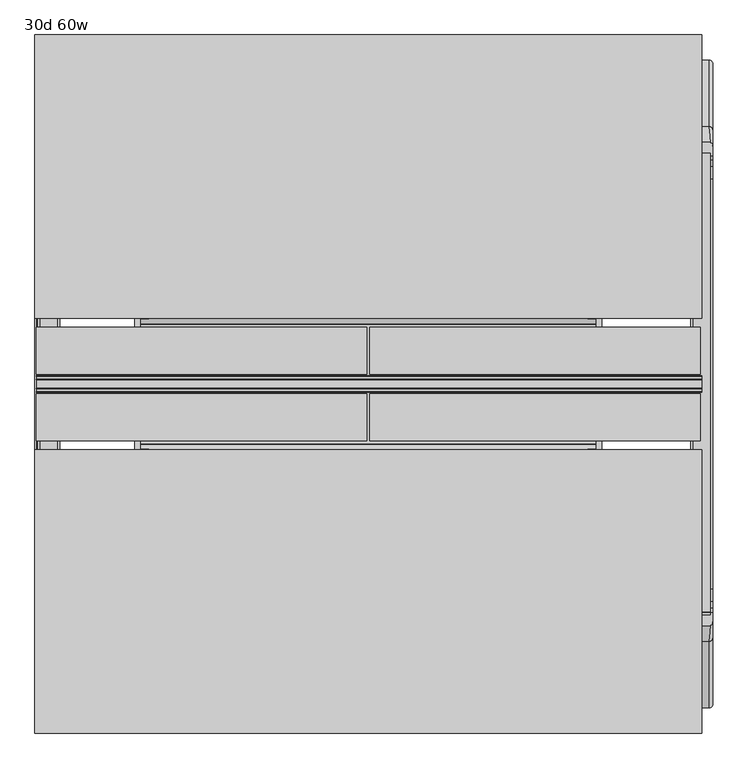
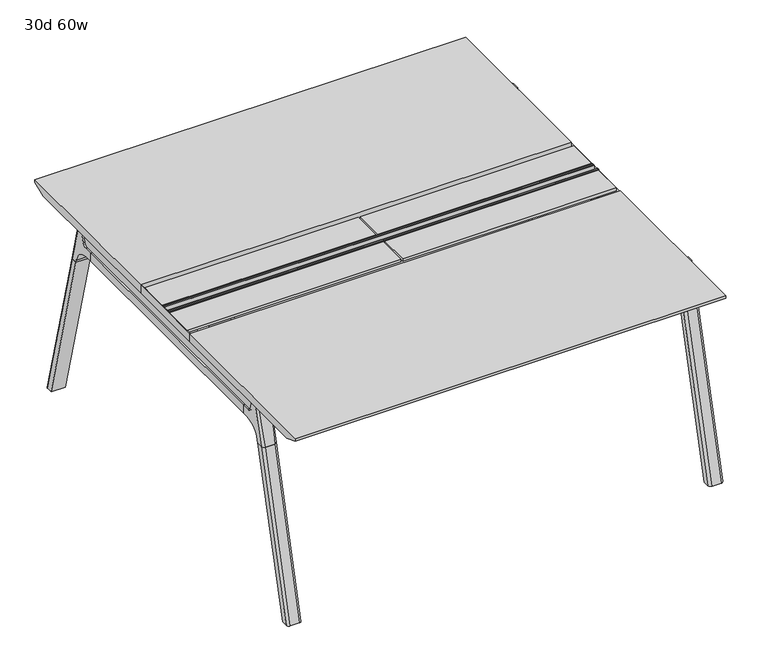
"""IFC4 building model written with IfcOpenShell, lengths in millimetres: furniture geometry, 30d 60w."""

from ifc_helpers import new_model, si_unit, point, frame, frame_2d, origin, place, context, project, spatial, polyline, circle_curve, ellipse_curve, trimmed, segment, composite_curve, outline, extrude, source, transform, mapped, element, save
from ifc_brep_helpers import plane_surface, cylinder_surface, revolved_surface, advanced_brep


def furniture_30d_60w_8fa54825(model_context):
    return source(origin(), model_context, "Body", "SolidModel", [
        extrude(outline(polyline([(-348.9784469, 559.4636683), (-364.040663, 627.7843353), (-35.4662901, 627.7843353), (-50.5285062, 559.4636683), (-46.7502281, 557.2647146), (-46.7502281, 549.3667827), (-62.6252238, 521.8704736), (-336.8817293, 521.8704736), (-352.756725, 549.3667827), (-352.756725, 557.2647146), (-348.9784469, 559.4636683)])), frame((736.6, 0.0, 0.0), z_axis=(1.0, 0.0, 0.0), x_axis=(0.0, 1.0, 0.0)), (0.0, 0.0, 1.0), 12.7),
        extrude(outline(polyline([(-348.9784469, 559.4636683), (-364.040663, 627.7843353), (-35.4662901, 627.7843353), (-50.5285062, 559.4636683), (-46.7502281, 557.2647146), (-46.7502281, 549.3667827), (-62.6252238, 521.8704736), (-336.8817293, 521.8704736), (-352.756725, 549.3667827), (-352.756725, 557.2647146), (-348.9784469, 559.4636683)])), frame((-317.5, 0.0, 0.0), z_axis=(1.0, 0.0, 0.0), x_axis=(0.0, 1.0, 0.0)), (0.0, 0.0, 1.0), 12.7),
        extrude(outline(polyline([(-18.0090763, 698.5), (3.7767266, 698.5), (3.7767266, 697.2935087), (-17.4495292, 697.2935087), (-19.0070753, 695.7359626), (-49.1186716, 559.1528512), (-50.5285062, 559.4636683), (-20.404074, 696.1050023), (-18.0090763, 698.5)])), frame((-317.5, 0.0, 0.0), z_axis=(1.0, 0.0, 0.0), x_axis=(0.0, 1.0, 0.0)), (0.0, 0.0, 1.0), 31.8008024),
        extrude(outline(polyline([(-381.4978768, 698.5), (-379.1028791, 696.1050023), (-348.9784469, 559.4636683), (-350.3882815, 559.1528512), (-380.4998778, 695.7359626), (-382.0574239, 697.2935087), (-403.2836797, 697.2935087), (-403.2836797, 698.5), (-381.4978768, 698.5)])), frame((-317.5, 0.0, 0.0), z_axis=(1.0, 0.0, 0.0), x_axis=(0.0, 1.0, 0.0)), (0.0, 0.0, 1.0), 31.8008024),
        extrude(outline(polyline([(-18.0090763, 698.5), (3.7767266, 698.5), (3.7767266, 697.2935087), (-17.4495292, 697.2935087), (-19.0070753, 695.7359626), (-49.1186716, 559.1528512), (-50.5285062, 559.4636683), (-20.404074, 696.1050023), (-18.0090763, 698.5)])), frame((717.4991976, 0.0, 0.0), z_axis=(1.0, 0.0, 0.0), x_axis=(0.0, 1.0, 0.0)), (0.0, 0.0, 1.0), 31.8008024),
        extrude(outline(polyline([(-381.4978768, 698.5), (-379.1028791, 696.1050023), (-348.9784469, 559.4636683), (-350.3882815, 559.1528512), (-380.4998778, 695.7359626), (-382.0574239, 697.2935087), (-403.2836797, 697.2935087), (-403.2836797, 698.5), (-381.4978768, 698.5)])), frame((717.4991976, 0.0, 0.0), z_axis=(1.0, 0.0, 0.0), x_axis=(0.0, 1.0, 0.0)), (0.0, 0.0, 1.0), 31.8008024),
        extrude(outline(polyline([(-353.550475, 557.5934966), (-351.518477, 559.6254947), (-350.957211, 559.0642287), (-352.756725, 557.2647146), (-352.756725, 549.3667827), (-352.5317745, 548.5272622), (-337.4390802, 522.3859395), (-336.0037101, 521.5572272), (-63.503243, 521.5572272), (-62.0678729, 522.3859395), (-46.9751786, 548.5272622), (-46.7502281, 549.3667827), (-46.7502281, 557.2647146), (-48.5497421, 559.0642287), (-47.9884761, 559.6254947), (-45.9564781, 557.5934966), (-45.9564781, 549.2622828), (-46.2355217, 548.2208856), (-61.4868074, 521.8048744), (-63.2905581, 520.7634772), (-336.216395, 520.7634772), (-338.0201457, 521.8048744), (-353.2714314, 548.2208856), (-353.550475, 549.2622828), (-353.550475, 557.5934966)])), frame((-317.4492037, 0.0, 0.0), z_axis=(1.0, 0.0, 0.0), x_axis=(0.0, 1.0, 0.0)), (0.0, 0.0, 1.0), 1066.7492037),
        extrude(outline(polyline([(-218.8034766, 715.9625), (-218.8034766, 741.3625), (-217.2159766, 741.3625), (-217.2159766, 720.725), (-210.8659766, 720.725), (-210.8659766, 741.3625), (-209.2784766, 741.3625), (-209.2784766, 717.55), (-190.2284766, 717.55), (-190.2284766, 741.3625), (-188.6409766, 741.3625), (-188.6409766, 720.725), (-182.2909766, 720.725), (-182.2909766, 741.3625), (-180.7034766, 741.3625), (-180.7034766, 715.9625), (-218.8034766, 715.9625)])), frame((-542.925, 0.0, 0.0), z_axis=(1.0, 0.0, 0.0), x_axis=(0.0, 1.0, 0.0)), (0.0, 0.0, 1.0), 1520.825),
        extrude(outline(composite_curve([segment(polyline([(328.0902734, 711.2), (319.0321726, 677.3947076)]), True, "CONTINUOUS"), segment(trimmed(circle_curve(frame_2d((303.6981001, 681.5034599)), 15.875), [point((319.0321726, 677.3947076))], [point((303.6981001, 665.6284599))], False, "CARTESIAN"), True, "CONTINUOUS"), segment(polyline([(303.6981001, 665.6284599), (-703.2050533, 665.6284599)]), True, "CONTINUOUS"), segment(trimmed(circle_curve(frame_2d((-703.2050533, 681.5034599)), 15.875), [point((-703.2050533, 665.6284599))], [point((-718.5391258, 677.3947076))], False, "CARTESIAN"), True, "CONTINUOUS"), segment(polyline([(-718.5391258, 677.3947076), (-727.5972266, 711.2), (328.0902734, 711.2)]), True, "CONTINUOUS")], self_intersect=False)), frame((958.85, 0.0, 0.0), z_axis=(1.0, 0.0, 0.0), x_axis=(0.0, 1.0, 0.0)), (0.0, 0.0, 1.0), 38.1),
        extrude(outline(polyline([(1003.3, 267.7652734), (1003.3, -667.2722266), (952.5, -667.2722266), (952.5, 267.7652734), (1003.3, 267.7652734)])), frame((0.0, 0.0, 635.6476591), z_axis=(0.0, 0.0, 1.0), x_axis=(1.0, 0.0, 0.0)), (0.0, 0.0, 1.0), 29.9808008),
        extrude(outline(composite_curve([segment(polyline([(328.0902734, 711.2), (319.0321726, 677.3947076)]), True, "CONTINUOUS"), segment(trimmed(circle_curve(frame_2d((303.6981001, 681.5034599)), 15.875), [point((319.0321726, 677.3947076))], [point((303.6981001, 665.6284599))], False, "CARTESIAN"), True, "CONTINUOUS"), segment(polyline([(303.6981001, 665.6284599), (-703.2050533, 665.6284599)]), True, "CONTINUOUS"), segment(trimmed(circle_curve(frame_2d((-703.2050533, 681.5034599)), 15.875), [point((-703.2050533, 665.6284599))], [point((-718.5391258, 677.3947076))], False, "CARTESIAN"), True, "CONTINUOUS"), segment(polyline([(-718.5391258, 677.3947076), (-727.5972266, 711.2), (328.0902734, 711.2)]), True, "CONTINUOUS")], self_intersect=False)), frame((-533.4, 0.0, 0.0), z_axis=(1.0, 0.0, 0.0), x_axis=(0.0, 1.0, 0.0)), (0.0, 0.0, 1.0), 38.1),
        extrude(outline(polyline([(-488.95, 267.7652734), (-488.95, -667.2722266), (-539.75, -667.2722266), (-539.75, 267.7652734), (-488.95, 267.7652734)])), frame((0.0, 0.0, 635.6476591), z_axis=(0.0, 0.0, 1.0), x_axis=(1.0, 0.0, 0.0)), (0.0, 0.0, 1.0), 29.9808008),
        advanced_brep(
        [(952.5, -721.2935553, 711.2), (952.5, -712.2354545, 677.3947076), (952.5, -696.901382, 665.6284599), (952.5, -667.2722266, 665.6284599), (952.5, -667.2722266, 635.6476591), (952.5, -690.1434588, 635.6476591), (952.5, -754.5465633, 586.2294189), (952.5, -757.1047754, 576.6820411), (952.5, -778.2087453, 576.6820411), (952.5, -742.7601017, 711.2), (1003.3, -757.1047754, 576.6820411), (1003.3, -754.5465633, 586.2294189), (1003.3, -690.1434588, 635.6476591), (1003.3, -667.2722266, 635.6476591), (1003.3, -667.2722266, 665.6284599), (1003.3, -696.901382, 665.6284599), (1003.3, -712.2354545, 677.3947076), (1003.3, -721.2935553, 711.2), (1003.3, -742.7601017, 711.2), (1003.3, -778.2087453, 576.6820411), (958.7638162, -752.0149462, 711.2), (997.0361838, -752.0149462, 711.2), (993.775, -788.0589247, 576.6820411), (962.025, -788.0589247, 576.6820411)],
        [
            (0, 1),
            (1, 2, circle_curve(frame((952.5, -696.901382, 681.5034599), z_axis=(1.0, 0.0, 0.0), x_axis=(0.0, -1.0, 0.0)), 15.875)),
            (2, 3),
            (3, 4),
            (4, 5),
            (5, 6, circle_curve(frame((952.5, -690.1434588, 568.9726591), z_axis=(1.0, 0.0, 0.0), x_axis=(0.0, -1.0, 0.0)), 66.675)),
            (6, 7),
            (7, 8),
            (8, 9),
            (9, 0),
            (10, 11),
            (11, 12, circle_curve(frame((1003.3, -690.1434588, 568.9726591), z_axis=(-1.0, 0.0, 0.0), x_axis=(0.0, -1.0, 0.0)), 66.675)),
            (12, 13),
            (13, 14),
            (14, 15),
            (15, 16, circle_curve(frame((1003.3, -696.901382, 681.5034599), z_axis=(-1.0, 0.0, 0.0), x_axis=(0.0, -1.0, 0.0)), 15.875)),
            (16, 17),
            (17, 18),
            (18, 19),
            (19, 10),
            (17, 0),
            (9, 20, ellipse_curve(frame((962.025, -742.7601017, 711.2), z_axis=(0.0, 0.0, 1.0), x_axis=(0.0, -1.0, 0.0)), 9.8501793, 9.525)),
            (20, 21),
            (21, 18, ellipse_curve(frame((993.775, -742.7601017, 711.2), z_axis=(0.0, 0.0, 1.0), x_axis=(0.0, -1.0, 0.0)), 9.8501793, 9.525)),
            (16, 1),
            (15, 2),
            (14, 3),
            (13, 4),
            (12, 5),
            (11, 6),
            (10, 7),
            (19, 22, ellipse_curve(frame((993.775, -778.2087453, 576.6820411), z_axis=(0.0, 0.0, -1.0), x_axis=(0.0, -1.0, 0.0)), 9.8501793, 9.525)),
            (22, 23),
            (23, 8, ellipse_curve(frame((962.025, -778.2087453, 576.6820411), z_axis=(0.0, 0.0, -1.0), x_axis=(0.0, -1.0, 0.0)), 9.8501793, 9.525)),
            (20, 23, ellipse_curve(frame((962.025, -191.6892106, 2802.3641142), z_axis=(0.0, -0.9659258262890684, 0.2588190451025206), x_axis=(0.0, -0.2588190451025206, -0.9659258262890684)), 2304.1956354, 9.525)),
            (22, 21, ellipse_curve(frame((993.775, -191.6892106, 2802.3641142), z_axis=(0.0, -0.9659258262890684, 0.2588190451025206), x_axis=(0.0, -0.2588190451025206, -0.9659258262890684)), 2304.1956354, 9.525)),
        ],
        [
            plane_surface(frame((952.5, -752.0149462, 711.2), z_axis=(-1.0, 0.0, 0.0), x_axis=(0.0, 1.0, 0.0))),
            plane_surface(frame((1003.3, -752.0149462, 711.2), z_axis=(1.0, 0.0, 0.0), x_axis=(0.0, -1.0, 0.0))),
            plane_surface(frame((952.5, -752.0149462, 711.2), z_axis=(0.0, 0.0, 1.0), x_axis=(1.0, 0.0, 0.0))),
            plane_surface(frame((952.5, -721.2935553, 711.2), z_axis=(0.0, 0.9659258262890683, 0.2588190451025207), x_axis=(1.0, 0.0, 0.0))),
            revolved_surface(polyline([(1003.3, -712.776382, 681.5034599), (952.5, -712.776382, 681.5034599)]), (1003.3, -696.901382, 681.5034599), (1.0, 0.0, 0.0)),
            plane_surface(frame((952.5, -696.901382, 665.6284599), z_axis=(0.0, 0.0, 1.0), x_axis=(1.0, 0.0, 0.0))),
            plane_surface(frame((952.5, -667.2722266, 665.6284599), z_axis=(0.0, 1.0, 0.0), x_axis=(1.0, 0.0, 0.0))),
            plane_surface(frame((952.5, -667.2722266, 635.6476591), z_axis=(0.0, 0.0, -1.0), x_axis=(1.0, 0.0, 0.0))),
            revolved_surface(polyline([(1003.3, -756.8184587999999, 568.9726591), (952.5, -756.8184587999999, 568.9726591)]), (1003.3, -690.1434588, 568.9726591), (1.0, 0.0, 0.0)),
            plane_surface(frame((952.5, -754.5465633, 586.2294189), z_axis=(0.0, 0.9659258262890693, -0.25881904510251696), x_axis=(1.0, 0.0, 0.0))),
            plane_surface(frame((952.5, -757.1047754, 576.6820411), z_axis=(0.0, 0.0, -1.0), x_axis=(1.0, 0.0, 0.0))),
            plane_surface(frame((952.5, -788.0589247, 576.6820411), z_axis=(0.0, -0.9659258262890684, 0.2588190451025206), x_axis=(1.0, 0.0, 0.0))),
            cylinder_surface(frame((962.025, -930.8176402, -2.4271979), z_axis=(0.0, -0.25482392474081483, -0.966987470125486), x_axis=(1.0, 0.0, 0.0)), 9.525),
            cylinder_surface(frame((993.775, -930.8176402, -2.4271979), z_axis=(0.0, -0.25482392474081483, -0.966987470125486), x_axis=(1.0, 0.0, 0.0)), 9.525),
        ],
        [
            (0, [[1, 2, 3, 4, 5, 6, 7, 8, 9, 10]]),
            (1, [[11, 12, 13, 14, 15, 16, 17, 18, 19, 20]]),
            (2, [[21, -10, 22, 23, 24, -18]]),
            (3, [[-1, -21, -17, 25]]),
            (4, [[-2, -25, -16, 26]]),
            (5, [[-3, -26, -15, 27]]),
            (6, [[-4, -27, -14, 28]]),
            (7, [[-5, -28, -13, 29]]),
            (8, [[-6, -29, -12, 30]]),
            (9, [[-7, -30, -11, 31]]),
            (10, [[-31, -20, 32, 33, 34, -8]]),
            (11, [[-23, 35, -33, 36]]),
            (12, [[-9, -34, -35, -22]]),
            (13, [[-19, -24, -36, -32]]),
        ],
    ),
        advanced_brep(
        [(952.5, -757.1047754, 576.6820411), (952.5, -909.0740466, 0.0), (952.5, -930.1780165, 0.0), (952.5, -778.2087453, 576.6820411), (1003.3, -909.0740466, 0.0), (1003.3, -757.1047754, 576.6820411), (1003.3, -778.2087453, 576.6820411), (1003.3, -930.1780165, 0.0), (962.025, -788.0589247, 576.6820411), (993.775, -788.0589247, 576.6820411), (993.775, -940.0281958, 0.0), (962.025, -940.0281958, 0.0)],
        [
            (0, 1),
            (1, 2),
            (2, 3),
            (3, 0),
            (4, 5),
            (5, 6),
            (6, 7),
            (7, 4),
            (5, 0),
            (3, 8, ellipse_curve(frame((962.025, -778.2087453, 576.6820411), z_axis=(0.0, 0.0, 1.0), x_axis=(0.0, -1.0, 0.0)), 9.8501793, 9.525)),
            (8, 9),
            (9, 6, ellipse_curve(frame((993.775, -778.2087453, 576.6820411), z_axis=(0.0, 0.0, 1.0), x_axis=(0.0, -1.0, 0.0)), 9.8501793, 9.525)),
            (4, 1),
            (7, 10, ellipse_curve(frame((993.775, -930.1780165, 0.0), z_axis=(0.0, 0.0, -1.0), x_axis=(0.0, -1.0, 0.0)), 9.8501793, 9.525)),
            (10, 11),
            (11, 2, ellipse_curve(frame((962.025, -930.1780165, 0.0), z_axis=(0.0, 0.0, -1.0), x_axis=(0.0, -1.0, 0.0)), 9.8501793, 9.525)),
            (8, 11),
            (10, 9),
        ],
        [
            plane_surface(frame((952.5, -788.0589247, 576.6820411), z_axis=(-1.0, 0.0, 0.0), x_axis=(0.0, 1.0, 0.0))),
            plane_surface(frame((1003.3, -788.0589247, 576.6820411), z_axis=(1.0, 0.0, 0.0), x_axis=(0.0, -1.0, 0.0))),
            plane_surface(frame((952.5, -788.0589247, 576.6820411), z_axis=(0.0, 0.0, 1.0), x_axis=(1.0, 0.0, 0.0))),
            plane_surface(frame((952.5, -757.1047754, 576.6820411), z_axis=(0.0, 0.9669874701254844, -0.2548239247408208), x_axis=(1.0, 0.0, 0.0))),
            plane_surface(frame((952.5, -909.0740466, 0.0), z_axis=(0.0, 0.0, -1.0), x_axis=(1.0, 0.0, 0.0))),
            plane_surface(frame((952.5, -940.0281958, 0.0), z_axis=(0.0, -0.9669874701254855, 0.2548239247408166), x_axis=(1.0, 0.0, 0.0))),
            cylinder_surface(frame((962.025, -930.8176402, -2.4271979), z_axis=(0.0, -0.25482392474081483, -0.966987470125486), x_axis=(1.0, 0.0, 0.0)), 9.525),
            cylinder_surface(frame((993.775, -930.8176402, -2.4271979), z_axis=(0.0, -0.25482392474081483, -0.966987470125486), x_axis=(1.0, 0.0, 0.0)), 9.525),
        ],
        [
            (0, [[1, 2, 3, 4]]),
            (1, [[5, 6, 7, 8]]),
            (2, [[9, -4, 10, 11, 12, -6]]),
            (3, [[-1, -9, -5, 13]]),
            (4, [[-13, -8, 14, 15, 16, -2]]),
            (5, [[-11, 17, -15, 18]]),
            (6, [[-3, -16, -17, -10]]),
            (7, [[-7, -12, -18, -14]]),
        ],
    ),
        advanced_brep(
        [(1003.3, 321.7866022, 711.2), (1003.3, 312.7285014, 677.3947076), (1003.3, 297.3944289, 665.6284599), (1003.3, 267.7652734, 665.6284599), (1003.3, 267.7652734, 635.6476591), (1003.3, 290.6365057, 635.6476591), (1003.3, 355.0396101, 586.2294189), (1003.3, 357.5978223, 576.6820411), (1003.3, 378.7017922, 576.6820411), (1003.3, 343.2531486, 711.2), (952.5, 357.5978223, 576.6820411), (952.5, 355.0396101, 586.2294189), (952.5, 290.6365057, 635.6476591), (952.5, 267.7652734, 635.6476591), (952.5, 267.7652734, 665.6284599), (952.5, 297.3944289, 665.6284599), (952.5, 312.7285014, 677.3947076), (952.5, 321.7866022, 711.2), (952.5, 343.2531486, 711.2), (952.5, 378.7017922, 576.6820411), (997.0361838, 352.5079931, 711.2), (958.7638162, 352.5079931, 711.2), (962.025, 388.5519716, 576.6820411), (993.775, 388.5519716, 576.6820411)],
        [
            (0, 1),
            (1, 2, circle_curve(frame((1003.3, 297.3944289, 681.5034599), z_axis=(-1.0, 0.0, 0.0), x_axis=(0.0, 1.0, 0.0)), 15.875)),
            (2, 3),
            (3, 4),
            (4, 5),
            (5, 6, circle_curve(frame((1003.3, 290.6365057, 568.9726591), z_axis=(-1.0, 0.0, 0.0), x_axis=(0.0, 1.0, 0.0)), 66.675)),
            (6, 7),
            (7, 8),
            (8, 9),
            (9, 0),
            (10, 11),
            (11, 12, circle_curve(frame((952.5, 290.6365057, 568.9726591), z_axis=(1.0, 0.0, 0.0), x_axis=(0.0, 1.0, 0.0)), 66.675)),
            (12, 13),
            (13, 14),
            (14, 15),
            (15, 16, circle_curve(frame((952.5, 297.3944289, 681.5034599), z_axis=(1.0, 0.0, 0.0), x_axis=(0.0, 1.0, 0.0)), 15.875)),
            (16, 17),
            (17, 18),
            (18, 19),
            (19, 10),
            (17, 0),
            (9, 20, ellipse_curve(frame((993.775, 343.2531486, 711.2), z_axis=(0.0, 0.0, 1.0), x_axis=(0.0, 1.0, 0.0)), 9.8501793, 9.525)),
            (20, 21),
            (21, 18, ellipse_curve(frame((962.025, 343.2531486, 711.2), z_axis=(0.0, 0.0, 1.0), x_axis=(0.0, 1.0, 0.0)), 9.8501793, 9.525)),
            (16, 1),
            (15, 2),
            (14, 3),
            (13, 4),
            (12, 5),
            (11, 6),
            (10, 7),
            (19, 22, ellipse_curve(frame((962.025, 378.7017922, 576.6820411), z_axis=(0.0, 0.0, -1.0), x_axis=(0.0, 1.0, 0.0)), 9.8501793, 9.525)),
            (22, 23),
            (23, 8, ellipse_curve(frame((993.775, 378.7017922, 576.6820411), z_axis=(0.0, 0.0, -1.0), x_axis=(0.0, 1.0, 0.0)), 9.8501793, 9.525)),
            (20, 23, ellipse_curve(frame((993.775, -207.8177425, 2802.3641142), z_axis=(0.0, 0.9659258262890684, 0.2588190451025206), x_axis=(0.0, 0.2588190451025206, -0.9659258262890684)), 2304.1956354, 9.525)),
            (22, 21, ellipse_curve(frame((962.025, -207.8177425, 2802.3641142), z_axis=(0.0, 0.9659258262890684, 0.2588190451025206), x_axis=(0.0, 0.2588190451025206, -0.9659258262890684)), 2304.1956354, 9.525)),
        ],
        [
            plane_surface(frame((1003.3, 352.5079931, 711.2), z_axis=(1.0, 0.0, 0.0), x_axis=(0.0, -1.0, 0.0))),
            plane_surface(frame((952.5, 352.5079931, 711.2), z_axis=(-1.0, 0.0, 0.0), x_axis=(0.0, 1.0, 0.0))),
            plane_surface(frame((1003.3, 352.5079931, 711.2), z_axis=(0.0, 0.0, 1.0), x_axis=(-1.0, 0.0, 0.0))),
            plane_surface(frame((1003.3, 321.7866022, 711.2), z_axis=(0.0, -0.9659258262890683, 0.2588190451025207), x_axis=(-1.0, 0.0, 0.0))),
            revolved_surface(polyline([(952.5, 313.2694289, 681.5034599), (1003.3, 313.2694289, 681.5034599)]), (952.5, 297.3944289, 681.5034599), (-1.0, 0.0, 0.0)),
            plane_surface(frame((1003.3, 297.3944289, 665.6284599), z_axis=(0.0, 0.0, 1.0), x_axis=(-1.0, 0.0, 0.0))),
            plane_surface(frame((1003.3, 267.7652734, 665.6284599), z_axis=(0.0, -1.0, 0.0), x_axis=(-1.0, 0.0, 0.0))),
            plane_surface(frame((1003.3, 267.7652734, 635.6476591), z_axis=(0.0, 0.0, -1.0), x_axis=(-1.0, 0.0, 0.0))),
            revolved_surface(polyline([(952.5, 357.3115057, 568.9726591), (1003.3, 357.3115057, 568.9726591)]), (952.5, 290.6365057, 568.9726591), (-1.0, 0.0, 0.0)),
            plane_surface(frame((1003.3, 355.0396101, 586.2294189), z_axis=(0.0, -0.9659258262890693, -0.25881904510251696), x_axis=(-1.0, 0.0, 0.0))),
            plane_surface(frame((1003.3, 357.5978223, 576.6820411), z_axis=(0.0, 0.0, -1.0), x_axis=(-1.0, 0.0, 0.0))),
            plane_surface(frame((1003.3, 388.5519716, 576.6820411), z_axis=(0.0, 0.9659258262890684, 0.2588190451025206), x_axis=(-1.0, 0.0, 0.0))),
            cylinder_surface(frame((993.775, 531.3106871, -2.4271979), z_axis=(0.0, 0.25482392474081483, -0.966987470125486), x_axis=(-1.0, 0.0, 0.0)), 9.525),
            cylinder_surface(frame((962.025, 531.3106871, -2.4271979), z_axis=(0.0, 0.25482392474081483, -0.966987470125486), x_axis=(-1.0, 0.0, 0.0)), 9.525),
        ],
        [
            (0, [[1, 2, 3, 4, 5, 6, 7, 8, 9, 10]]),
            (1, [[11, 12, 13, 14, 15, 16, 17, 18, 19, 20]]),
            (2, [[21, -10, 22, 23, 24, -18]]),
            (3, [[-1, -21, -17, 25]]),
            (4, [[-2, -25, -16, 26]]),
            (5, [[-3, -26, -15, 27]]),
            (6, [[-4, -27, -14, 28]]),
            (7, [[-5, -28, -13, 29]]),
            (8, [[-6, -29, -12, 30]]),
            (9, [[-7, -30, -11, 31]]),
            (10, [[-31, -20, 32, 33, 34, -8]]),
            (11, [[-23, 35, -33, 36]]),
            (12, [[-9, -34, -35, -22]]),
            (13, [[-19, -24, -36, -32]]),
        ],
    ),
        advanced_brep(
        [(1003.3, 357.5978223, 576.6820411), (1003.3, 509.5670935, 0.0), (1003.3, 530.6710634, 0.0), (1003.3, 378.7017922, 576.6820411), (952.5, 509.5670935, 0.0), (952.5, 357.5978223, 576.6820411), (952.5, 378.7017922, 576.6820411), (952.5, 530.6710634, 0.0), (993.775, 388.5519716, 576.6820411), (962.025, 388.5519716, 576.6820411), (962.025, 540.5212427, 0.0), (993.775, 540.5212427, 0.0)],
        [
            (0, 1),
            (1, 2),
            (2, 3),
            (3, 0),
            (4, 5),
            (5, 6),
            (6, 7),
            (7, 4),
            (5, 0),
            (3, 8, ellipse_curve(frame((993.775, 378.7017922, 576.6820411), z_axis=(0.0, 0.0, 1.0), x_axis=(0.0, 1.0, 0.0)), 9.8501793, 9.525)),
            (8, 9),
            (9, 6, ellipse_curve(frame((962.025, 378.7017922, 576.6820411), z_axis=(0.0, 0.0, 1.0), x_axis=(0.0, 1.0, 0.0)), 9.8501793, 9.525)),
            (4, 1),
            (7, 10, ellipse_curve(frame((962.025, 530.6710634, 0.0), z_axis=(0.0, 0.0, -1.0), x_axis=(0.0, 1.0, 0.0)), 9.8501793, 9.525)),
            (10, 11),
            (11, 2, ellipse_curve(frame((993.775, 530.6710634, 0.0), z_axis=(0.0, 0.0, -1.0), x_axis=(0.0, 1.0, 0.0)), 9.8501793, 9.525)),
            (8, 11),
            (10, 9),
        ],
        [
            plane_surface(frame((1003.3, 388.5519716, 576.6820411), z_axis=(1.0, 0.0, 0.0), x_axis=(0.0, -1.0, 0.0))),
            plane_surface(frame((952.5, 388.5519716, 576.6820411), z_axis=(-1.0, 0.0, 0.0), x_axis=(0.0, 1.0, 0.0))),
            plane_surface(frame((1003.3, 388.5519716, 576.6820411), z_axis=(0.0, 0.0, 1.0), x_axis=(-1.0, 0.0, 0.0))),
            plane_surface(frame((1003.3, 357.5978223, 576.6820411), z_axis=(0.0, -0.9669874701254844, -0.2548239247408208), x_axis=(-1.0, 0.0, 0.0))),
            plane_surface(frame((1003.3, 509.5670935, 0.0), z_axis=(0.0, 0.0, -1.0), x_axis=(-1.0, 0.0, 0.0))),
            plane_surface(frame((1003.3, 540.5212427, 0.0), z_axis=(0.0, 0.9669874701254855, 0.2548239247408166), x_axis=(-1.0, 0.0, 0.0))),
            cylinder_surface(frame((993.775, 531.3106871, -2.4271979), z_axis=(0.0, 0.25482392474081483, -0.966987470125486), x_axis=(-1.0, 0.0, 0.0)), 9.525),
            cylinder_surface(frame((962.025, 531.3106871, -2.4271979), z_axis=(0.0, 0.25482392474081483, -0.966987470125486), x_axis=(-1.0, 0.0, 0.0)), 9.525),
        ],
        [
            (0, [[1, 2, 3, 4]]),
            (1, [[5, 6, 7, 8]]),
            (2, [[9, -4, 10, 11, 12, -6]]),
            (3, [[-1, -9, -5, 13]]),
            (4, [[-13, -8, 14, 15, 16, -2]]),
            (5, [[-11, 17, -15, 18]]),
            (6, [[-3, -16, -17, -10]]),
            (7, [[-7, -12, -18, -14]]),
        ],
    ),
        advanced_brep(
        [(-488.95, 321.7866022, 711.2), (-488.95, 312.7285014, 677.3947076), (-488.95, 297.3944289, 665.6284599), (-488.95, 267.7652734, 665.6284599), (-488.95, 267.7652734, 635.6476591), (-488.95, 290.6365057, 635.6476591), (-488.95, 355.0396101, 586.2294189), (-488.95, 357.5978223, 576.6820411), (-488.95, 378.7017922, 576.6820411), (-488.95, 343.2531486, 711.2), (-539.75, 357.5978223, 576.6820411), (-539.75, 355.0396101, 586.2294189), (-539.75, 290.6365057, 635.6476591), (-539.75, 267.7652734, 635.6476591), (-539.75, 267.7652734, 665.6284599), (-539.75, 297.3944289, 665.6284599), (-539.75, 312.7285014, 677.3947076), (-539.75, 321.7866022, 711.2), (-539.75, 343.2531486, 711.2), (-539.75, 378.7017922, 576.6820411), (-495.2138162, 352.5079931, 711.2), (-533.4861838, 352.5079931, 711.2), (-530.225, 388.5519716, 576.6820411), (-498.475, 388.5519716, 576.6820411)],
        [
            (0, 1),
            (1, 2, circle_curve(frame((-488.95, 297.3944289, 681.5034599), z_axis=(-1.0, 0.0, 0.0), x_axis=(0.0, 1.0, 0.0)), 15.875)),
            (2, 3),
            (3, 4),
            (4, 5),
            (5, 6, circle_curve(frame((-488.95, 290.6365057, 568.9726591), z_axis=(-1.0, 0.0, 0.0), x_axis=(0.0, 1.0, 0.0)), 66.675)),
            (6, 7),
            (7, 8),
            (8, 9),
            (9, 0),
            (10, 11),
            (11, 12, circle_curve(frame((-539.75, 290.6365057, 568.9726591), z_axis=(1.0, 0.0, 0.0), x_axis=(0.0, 1.0, 0.0)), 66.675)),
            (12, 13),
            (13, 14),
            (14, 15),
            (15, 16, circle_curve(frame((-539.75, 297.3944289, 681.5034599), z_axis=(1.0, 0.0, 0.0), x_axis=(0.0, 1.0, 0.0)), 15.875)),
            (16, 17),
            (17, 18),
            (18, 19),
            (19, 10),
            (17, 0),
            (9, 20, ellipse_curve(frame((-498.475, 343.2531486, 711.2), z_axis=(0.0, 0.0, 1.0), x_axis=(0.0, 1.0, 0.0)), 9.8501793, 9.525)),
            (20, 21),
            (21, 18, ellipse_curve(frame((-530.225, 343.2531486, 711.2), z_axis=(0.0, 0.0, 1.0), x_axis=(0.0, 1.0, 0.0)), 9.8501793, 9.525)),
            (16, 1),
            (15, 2),
            (14, 3),
            (13, 4),
            (12, 5),
            (11, 6),
            (10, 7),
            (19, 22, ellipse_curve(frame((-530.225, 378.7017922, 576.6820411), z_axis=(0.0, 0.0, -1.0), x_axis=(0.0, 1.0, 0.0)), 9.8501793, 9.525)),
            (22, 23),
            (23, 8, ellipse_curve(frame((-498.475, 378.7017922, 576.6820411), z_axis=(0.0, 0.0, -1.0), x_axis=(0.0, 1.0, 0.0)), 9.8501793, 9.525)),
            (20, 23, ellipse_curve(frame((-498.475, -207.8177425, 2802.3641142), z_axis=(0.0, 0.9659258262890684, 0.2588190451025206), x_axis=(0.0, 0.2588190451025206, -0.9659258262890684)), 2304.1956354, 9.525)),
            (22, 21, ellipse_curve(frame((-530.225, -207.8177425, 2802.3641142), z_axis=(0.0, 0.9659258262890684, 0.2588190451025206), x_axis=(0.0, 0.2588190451025206, -0.9659258262890684)), 2304.1956354, 9.525)),
        ],
        [
            plane_surface(frame((-488.95, 352.5079931, 711.2), z_axis=(1.0, 0.0, 0.0), x_axis=(0.0, -1.0, 0.0))),
            plane_surface(frame((-539.75, 352.5079931, 711.2), z_axis=(-1.0, 0.0, 0.0), x_axis=(0.0, 1.0, 0.0))),
            plane_surface(frame((-488.95, 352.5079931, 711.2), z_axis=(0.0, 0.0, 1.0), x_axis=(-1.0, 0.0, 0.0))),
            plane_surface(frame((-488.95, 321.7866022, 711.2), z_axis=(0.0, -0.9659258262890683, 0.2588190451025207), x_axis=(-1.0, 0.0, 0.0))),
            revolved_surface(polyline([(-539.75, 313.2694289, 681.5034599), (-488.95, 313.2694289, 681.5034599)]), (-539.75, 297.3944289, 681.5034599), (-1.0, 0.0, 0.0)),
            plane_surface(frame((-488.95, 297.3944289, 665.6284599), z_axis=(0.0, 0.0, 1.0), x_axis=(-1.0, 0.0, 0.0))),
            plane_surface(frame((-488.95, 267.7652734, 665.6284599), z_axis=(0.0, -1.0, 0.0), x_axis=(-1.0, 0.0, 0.0))),
            plane_surface(frame((-488.95, 267.7652734, 635.6476591), z_axis=(0.0, 0.0, -1.0), x_axis=(-1.0, 0.0, 0.0))),
            revolved_surface(polyline([(-539.75, 357.3115057, 568.9726591), (-488.95, 357.3115057, 568.9726591)]), (-539.75, 290.6365057, 568.9726591), (-1.0, 0.0, 0.0)),
            plane_surface(frame((-488.95, 355.0396101, 586.2294189), z_axis=(0.0, -0.9659258262890693, -0.25881904510251696), x_axis=(-1.0, 0.0, 0.0))),
            plane_surface(frame((-488.95, 357.5978223, 576.6820411), z_axis=(0.0, 0.0, -1.0), x_axis=(-1.0, 0.0, 0.0))),
            plane_surface(frame((-488.95, 388.5519716, 576.6820411), z_axis=(0.0, 0.9659258262890684, 0.2588190451025206), x_axis=(-1.0, 0.0, 0.0))),
            cylinder_surface(frame((-498.475, 531.3106871, -2.4271979), z_axis=(0.0, 0.25482392474081483, -0.966987470125486), x_axis=(-1.0, 0.0, 0.0)), 9.525),
            cylinder_surface(frame((-530.225, 531.3106871, -2.4271979), z_axis=(0.0, 0.25482392474081483, -0.966987470125486), x_axis=(-1.0, 0.0, 0.0)), 9.525),
        ],
        [
            (0, [[1, 2, 3, 4, 5, 6, 7, 8, 9, 10]]),
            (1, [[11, 12, 13, 14, 15, 16, 17, 18, 19, 20]]),
            (2, [[21, -10, 22, 23, 24, -18]]),
            (3, [[-1, -21, -17, 25]]),
            (4, [[-2, -25, -16, 26]]),
            (5, [[-3, -26, -15, 27]]),
            (6, [[-4, -27, -14, 28]]),
            (7, [[-5, -28, -13, 29]]),
            (8, [[-6, -29, -12, 30]]),
            (9, [[-7, -30, -11, 31]]),
            (10, [[-31, -20, 32, 33, 34, -8]]),
            (11, [[-23, 35, -33, 36]]),
            (12, [[-9, -34, -35, -22]]),
            (13, [[-19, -24, -36, -32]]),
        ],
    ),
        advanced_brep(
        [(-488.95, 357.5978223, 576.6820411), (-488.95, 509.5670935, 0.0), (-488.95, 530.6710634, 0.0), (-488.95, 378.7017922, 576.6820411), (-539.75, 509.5670935, 0.0), (-539.75, 357.5978223, 576.6820411), (-539.75, 378.7017922, 576.6820411), (-539.75, 530.6710634, 0.0), (-498.475, 388.5519716, 576.6820411), (-530.225, 388.5519716, 576.6820411), (-530.225, 540.5212427, 0.0), (-498.475, 540.5212427, 0.0)],
        [
            (0, 1),
            (1, 2),
            (2, 3),
            (3, 0),
            (4, 5),
            (5, 6),
            (6, 7),
            (7, 4),
            (5, 0),
            (3, 8, ellipse_curve(frame((-498.475, 378.7017922, 576.6820411), z_axis=(0.0, 0.0, 1.0), x_axis=(0.0, 1.0, 0.0)), 9.8501793, 9.525)),
            (8, 9),
            (9, 6, ellipse_curve(frame((-530.225, 378.7017922, 576.6820411), z_axis=(0.0, 0.0, 1.0), x_axis=(0.0, 1.0, 0.0)), 9.8501793, 9.525)),
            (4, 1),
            (7, 10, ellipse_curve(frame((-530.225, 530.6710634, 0.0), z_axis=(0.0, 0.0, -1.0), x_axis=(0.0, 1.0, 0.0)), 9.8501793, 9.525)),
            (10, 11),
            (11, 2, ellipse_curve(frame((-498.475, 530.6710634, 0.0), z_axis=(0.0, 0.0, -1.0), x_axis=(0.0, 1.0, 0.0)), 9.8501793, 9.525)),
            (8, 11),
            (10, 9),
        ],
        [
            plane_surface(frame((-488.95, 388.5519716, 576.6820411), z_axis=(1.0, 0.0, 0.0), x_axis=(0.0, -1.0, 0.0))),
            plane_surface(frame((-539.75, 388.5519716, 576.6820411), z_axis=(-1.0, 0.0, 0.0), x_axis=(0.0, 1.0, 0.0))),
            plane_surface(frame((-488.95, 388.5519716, 576.6820411), z_axis=(0.0, 0.0, 1.0), x_axis=(-1.0, 0.0, 0.0))),
            plane_surface(frame((-488.95, 357.5978223, 576.6820411), z_axis=(0.0, -0.9669874701254844, -0.2548239247408208), x_axis=(-1.0, 0.0, 0.0))),
            plane_surface(frame((-488.95, 509.5670935, 0.0), z_axis=(0.0, 0.0, -1.0), x_axis=(-1.0, 0.0, 0.0))),
            plane_surface(frame((-488.95, 540.5212427, 0.0), z_axis=(0.0, 0.9669874701254855, 0.2548239247408166), x_axis=(-1.0, 0.0, 0.0))),
            cylinder_surface(frame((-498.475, 531.3106871, -2.4271979), z_axis=(0.0, 0.25482392474081483, -0.966987470125486), x_axis=(-1.0, 0.0, 0.0)), 9.525),
            cylinder_surface(frame((-530.225, 531.3106871, -2.4271979), z_axis=(0.0, 0.25482392474081483, -0.966987470125486), x_axis=(-1.0, 0.0, 0.0)), 9.525),
        ],
        [
            (0, [[1, 2, 3, 4]]),
            (1, [[5, 6, 7, 8]]),
            (2, [[9, -4, 10, 11, 12, -6]]),
            (3, [[-1, -9, -5, 13]]),
            (4, [[-13, -8, 14, 15, 16, -2]]),
            (5, [[-11, 17, -15, 18]]),
            (6, [[-3, -16, -17, -10]]),
            (7, [[-7, -12, -18, -14]]),
        ],
    ),
        advanced_brep(
        [(-539.75, -721.2935553, 711.2), (-539.75, -712.2354545, 677.3947076), (-539.75, -696.901382, 665.6284599), (-539.75, -667.2722266, 665.6284599), (-539.75, -667.2722266, 635.6476591), (-539.75, -690.1434588, 635.6476591), (-539.75, -754.5465633, 586.2294189), (-539.75, -757.1047754, 576.6820411), (-539.75, -778.2087453, 576.6820411), (-539.75, -742.7601017, 711.2), (-488.95, -757.1047754, 576.6820411), (-488.95, -754.5465633, 586.2294189), (-488.95, -690.1434588, 635.6476591), (-488.95, -667.2722266, 635.6476591), (-488.95, -667.2722266, 665.6284599), (-488.95, -696.901382, 665.6284599), (-488.95, -712.2354545, 677.3947076), (-488.95, -721.2935553, 711.2), (-488.95, -742.7601017, 711.2), (-488.95, -778.2087453, 576.6820411), (-533.4861838, -752.0149462, 711.2), (-495.2138162, -752.0149462, 711.2), (-498.475, -788.0589247, 576.6820411), (-530.225, -788.0589247, 576.6820411)],
        [
            (0, 1),
            (1, 2, circle_curve(frame((-539.75, -696.901382, 681.5034599), z_axis=(1.0, 0.0, 0.0), x_axis=(0.0, -1.0, 0.0)), 15.875)),
            (2, 3),
            (3, 4),
            (4, 5),
            (5, 6, circle_curve(frame((-539.75, -690.1434588, 568.9726591), z_axis=(1.0, 0.0, 0.0), x_axis=(0.0, -1.0, 0.0)), 66.675)),
            (6, 7),
            (7, 8),
            (8, 9),
            (9, 0),
            (10, 11),
            (11, 12, circle_curve(frame((-488.95, -690.1434588, 568.9726591), z_axis=(-1.0, 0.0, 0.0), x_axis=(0.0, -1.0, 0.0)), 66.675)),
            (12, 13),
            (13, 14),
            (14, 15),
            (15, 16, circle_curve(frame((-488.95, -696.901382, 681.5034599), z_axis=(-1.0, 0.0, 0.0), x_axis=(0.0, -1.0, 0.0)), 15.875)),
            (16, 17),
            (17, 18),
            (18, 19),
            (19, 10),
            (17, 0),
            (9, 20, ellipse_curve(frame((-530.225, -742.7601017, 711.2), z_axis=(0.0, 0.0, 1.0), x_axis=(0.0, -1.0, 0.0)), 9.8501793, 9.525)),
            (20, 21),
            (21, 18, ellipse_curve(frame((-498.475, -742.7601017, 711.2), z_axis=(0.0, 0.0, 1.0), x_axis=(0.0, -1.0, 0.0)), 9.8501793, 9.525)),
            (16, 1),
            (15, 2),
            (14, 3),
            (13, 4),
            (12, 5),
            (11, 6),
            (10, 7),
            (19, 22, ellipse_curve(frame((-498.475, -778.2087453, 576.6820411), z_axis=(0.0, 0.0, -1.0), x_axis=(0.0, -1.0, 0.0)), 9.8501793, 9.525)),
            (22, 23),
            (23, 8, ellipse_curve(frame((-530.225, -778.2087453, 576.6820411), z_axis=(0.0, 0.0, -1.0), x_axis=(0.0, -1.0, 0.0)), 9.8501793, 9.525)),
            (20, 23, ellipse_curve(frame((-530.225, -191.6892106, 2802.3641142), z_axis=(0.0, -0.9659258262890684, 0.2588190451025206), x_axis=(0.0, -0.2588190451025206, -0.9659258262890684)), 2304.1956354, 9.525)),
            (22, 21, ellipse_curve(frame((-498.475, -191.6892106, 2802.3641142), z_axis=(0.0, -0.9659258262890684, 0.2588190451025206), x_axis=(0.0, -0.2588190451025206, -0.9659258262890684)), 2304.1956354, 9.525)),
        ],
        [
            plane_surface(frame((-539.75, -752.0149462, 711.2), z_axis=(-1.0, 0.0, 0.0), x_axis=(0.0, 1.0, 0.0))),
            plane_surface(frame((-488.95, -752.0149462, 711.2), z_axis=(1.0, 0.0, 0.0), x_axis=(0.0, -1.0, 0.0))),
            plane_surface(frame((-539.75, -752.0149462, 711.2), z_axis=(0.0, 0.0, 1.0), x_axis=(1.0, 0.0, 0.0))),
            plane_surface(frame((-539.75, -721.2935553, 711.2), z_axis=(0.0, 0.9659258262890683, 0.2588190451025207), x_axis=(1.0, 0.0, 0.0))),
            revolved_surface(polyline([(-488.95, -712.776382, 681.5034599), (-539.75, -712.776382, 681.5034599)]), (-488.95, -696.901382, 681.5034599), (1.0, 0.0, 0.0)),
            plane_surface(frame((-539.75, -696.901382, 665.6284599), z_axis=(0.0, 0.0, 1.0), x_axis=(1.0, 0.0, 0.0))),
            plane_surface(frame((-539.75, -667.2722266, 665.6284599), z_axis=(0.0, 1.0, 0.0), x_axis=(1.0, 0.0, 0.0))),
            plane_surface(frame((-539.75, -667.2722266, 635.6476591), z_axis=(0.0, 0.0, -1.0), x_axis=(1.0, 0.0, 0.0))),
            revolved_surface(polyline([(-488.95, -756.8184587999999, 568.9726591), (-539.75, -756.8184587999999, 568.9726591)]), (-488.95, -690.1434588, 568.9726591), (1.0, 0.0, 0.0)),
            plane_surface(frame((-539.75, -754.5465633, 586.2294189), z_axis=(0.0, 0.9659258262890693, -0.25881904510251696), x_axis=(1.0, 0.0, 0.0))),
            plane_surface(frame((-539.75, -757.1047754, 576.6820411), z_axis=(0.0, 0.0, -1.0), x_axis=(1.0, 0.0, 0.0))),
            plane_surface(frame((-539.75, -788.0589247, 576.6820411), z_axis=(0.0, -0.9659258262890684, 0.2588190451025206), x_axis=(1.0, 0.0, 0.0))),
            cylinder_surface(frame((-530.225, -930.8176402, -2.4271979), z_axis=(0.0, -0.25482392474081483, -0.966987470125486), x_axis=(1.0, 0.0, 0.0)), 9.525),
            cylinder_surface(frame((-498.475, -930.8176402, -2.4271979), z_axis=(0.0, -0.25482392474081483, -0.966987470125486), x_axis=(1.0, 0.0, 0.0)), 9.525),
        ],
        [
            (0, [[1, 2, 3, 4, 5, 6, 7, 8, 9, 10]]),
            (1, [[11, 12, 13, 14, 15, 16, 17, 18, 19, 20]]),
            (2, [[21, -10, 22, 23, 24, -18]]),
            (3, [[-1, -21, -17, 25]]),
            (4, [[-2, -25, -16, 26]]),
            (5, [[-3, -26, -15, 27]]),
            (6, [[-4, -27, -14, 28]]),
            (7, [[-5, -28, -13, 29]]),
            (8, [[-6, -29, -12, 30]]),
            (9, [[-7, -30, -11, 31]]),
            (10, [[-31, -20, 32, 33, 34, -8]]),
            (11, [[-23, 35, -33, 36]]),
            (12, [[-9, -34, -35, -22]]),
            (13, [[-19, -24, -36, -32]]),
        ],
    ),
        advanced_brep(
        [(-539.75, -757.1047754, 576.6820411), (-539.75, -909.0740466, 0.0), (-539.75, -930.1780165, 0.0), (-539.75, -778.2087453, 576.6820411), (-488.95, -909.0740466, 0.0), (-488.95, -757.1047754, 576.6820411), (-488.95, -778.2087453, 576.6820411), (-488.95, -930.1780165, 0.0), (-530.225, -788.0589247, 576.6820411), (-498.475, -788.0589247, 576.6820411), (-498.475, -940.0281958, 0.0), (-530.225, -940.0281958, 0.0)],
        [
            (0, 1),
            (1, 2),
            (2, 3),
            (3, 0),
            (4, 5),
            (5, 6),
            (6, 7),
            (7, 4),
            (5, 0),
            (3, 8, ellipse_curve(frame((-530.225, -778.2087453, 576.6820411), z_axis=(0.0, 0.0, 1.0), x_axis=(0.0, -1.0, 0.0)), 9.8501793, 9.525)),
            (8, 9),
            (9, 6, ellipse_curve(frame((-498.475, -778.2087453, 576.6820411), z_axis=(0.0, 0.0, 1.0), x_axis=(0.0, -1.0, 0.0)), 9.8501793, 9.525)),
            (4, 1),
            (7, 10, ellipse_curve(frame((-498.475, -930.1780165, 0.0), z_axis=(0.0, 0.0, -1.0), x_axis=(0.0, -1.0, 0.0)), 9.8501793, 9.525)),
            (10, 11),
            (11, 2, ellipse_curve(frame((-530.225, -930.1780165, 0.0), z_axis=(0.0, 0.0, -1.0), x_axis=(0.0, -1.0, 0.0)), 9.8501793, 9.525)),
            (8, 11),
            (10, 9),
        ],
        [
            plane_surface(frame((-539.75, -788.0589247, 576.6820411), z_axis=(-1.0, 0.0, 0.0), x_axis=(0.0, 1.0, 0.0))),
            plane_surface(frame((-488.95, -788.0589247, 576.6820411), z_axis=(1.0, 0.0, 0.0), x_axis=(0.0, -1.0, 0.0))),
            plane_surface(frame((-539.75, -788.0589247, 576.6820411), z_axis=(0.0, 0.0, 1.0), x_axis=(1.0, 0.0, 0.0))),
            plane_surface(frame((-539.75, -757.1047754, 576.6820411), z_axis=(0.0, 0.9669874701254844, -0.2548239247408208), x_axis=(1.0, 0.0, 0.0))),
            plane_surface(frame((-539.75, -909.0740466, 0.0), z_axis=(0.0, 0.0, -1.0), x_axis=(1.0, 0.0, 0.0))),
            plane_surface(frame((-539.75, -940.0281958, 0.0), z_axis=(0.0, -0.9669874701254855, 0.2548239247408166), x_axis=(1.0, 0.0, 0.0))),
            cylinder_surface(frame((-530.225, -930.8176402, -2.4271979), z_axis=(0.0, -0.25482392474081483, -0.966987470125486), x_axis=(1.0, 0.0, 0.0)), 9.525),
            cylinder_surface(frame((-498.475, -930.8176402, -2.4271979), z_axis=(0.0, -0.25482392474081483, -0.966987470125486), x_axis=(1.0, 0.0, 0.0)), 9.525),
        ],
        [
            (0, [[1, 2, 3, 4]]),
            (1, [[5, 6, 7, 8]]),
            (2, [[9, -4, 10, 11, 12, -6]]),
            (3, [[-1, -9, -5, 13]]),
            (4, [[-13, -8, 14, 15, 16, -2]]),
            (5, [[-11, 17, -15, 18]]),
            (6, [[-3, -16, -17, -10]]),
            (7, [[-7, -12, -18, -14]]),
        ],
    ),
        extrude(outline(polyline([(-49.7347266, 741.3625), (597.9652734, 741.3625), (597.9652734, 731.8375), (547.1652734, 711.2), (-49.7347266, 711.2), (-49.7347266, 741.3625)])), frame((-546.1, 0.0, 0.0), z_axis=(1.0, 0.0, 0.0), x_axis=(0.0, 1.0, 0.0)), (0.0, 0.0, 1.0), 1524.0),
        extrude(outline(polyline([(-997.4722266, 741.3625), (-349.7722266, 741.3625), (-349.7722266, 711.2), (-946.6722266, 711.2), (-997.4722266, 731.8375), (-997.4722266, 741.3625)])), frame((-546.1, 0.0, 0.0), z_axis=(1.0, 0.0, 0.0), x_axis=(0.0, 1.0, 0.0)), (0.0, 0.0, 1.0), 1524.0),
        extrude(outline(polyline([(212.725, -69.5784766), (212.725, -177.5284766), (-542.925, -177.5284766), (-542.925, -69.5784766), (212.725, -69.5784766)])), frame((0.0, 0.0, 731.8375), z_axis=(0.0, 0.0, 1.0), x_axis=(1.0, 0.0, 0.0)), (0.0, 0.0, 1.0), 9.525),
        extrude(outline(polyline([(212.725, -221.9784766), (212.725, -329.9284766), (-542.925, -329.9284766), (-542.925, -221.9784766), (212.725, -221.9784766)])), frame((0.0, 0.0, 731.8375), z_axis=(0.0, 0.0, 1.0), x_axis=(1.0, 0.0, 0.0)), (0.0, 0.0, 1.0), 9.525),
        extrude(outline(polyline([(974.725, -69.5784766), (974.725, -177.5284766), (219.075, -177.5284766), (219.075, -69.5784766), (974.725, -69.5784766)])), frame((0.0, 0.0, 731.8375), z_axis=(0.0, 0.0, 1.0), x_axis=(1.0, 0.0, 0.0)), (0.0, 0.0, 1.0), 9.525),
        extrude(outline(polyline([(974.725, -221.9784766), (974.725, -329.9284766), (219.075, -329.9284766), (219.075, -221.9784766), (974.725, -221.9784766)])), frame((0.0, 0.0, 731.8375), z_axis=(0.0, 0.0, 1.0), x_axis=(1.0, 0.0, 0.0)), (0.0, 0.0, 1.0), 9.525),
        extrude(outline(polyline([(952.5, 9.7965234), (952.5, -21.9534766), (-488.95, -21.9534766), (-488.95, 9.7965234), (952.5, 9.7965234)])), frame((0.0, 0.0, 646.1125), z_axis=(0.0, 0.0, 1.0), x_axis=(1.0, 0.0, 0.0)), (0.0, 0.0, 1.0), 50.8),
        extrude(outline(polyline([(952.5, -377.5534766), (952.5, -409.3034766), (-488.95, -409.3034766), (-488.95, -377.5534766), (952.5, -377.5534766)])), frame((0.0, 0.0, 646.1125), z_axis=(0.0, 0.0, 1.0), x_axis=(1.0, 0.0, 0.0)), (0.0, 0.0, 1.0), 50.8),
        extrude(outline(polyline([(-542.925, -49.7347266), (-542.925, -349.7722266), (-546.1, -349.7722266), (-546.1, -49.7347266), (-542.925, -49.7347266)])), frame((0.0, 0.0, 711.2), z_axis=(0.0, 0.0, 1.0), x_axis=(1.0, 0.0, 0.0)), (0.0, 0.0, 1.0), 30.1625),
    ])


if __name__ == "__main__":
    model = new_model("IFC4")
    model_context = context("Model", 3, world=origin())
    ifc_project = project(units=[si_unit("LENGTHUNIT", "METRE", prefix="MILLI")], contexts=[model_context])
    site = spatial("IfcSite", under=ifc_project)
    building = spatial("IfcBuilding", under=site)
    placement = place(None, origin())
    furniture_30d_60w_shape = furniture_30d_60w_8fa54825(model_context)
    element("IfcFurniture", 1, ObjectType="30d 60w", at=placement, inside=building, context=model_context, shape_type="MappedRepresentation", body=[
        mapped(furniture_30d_60w_shape, transform((0.0, 0.0, 0.0), x_axis=(1.0, 0.0, 0.0), y_axis=(0.0, 1.0, 0.0), z_axis=(0.0, 0.0, 1.0))),
    ])
    save(model, "model.ifc")
